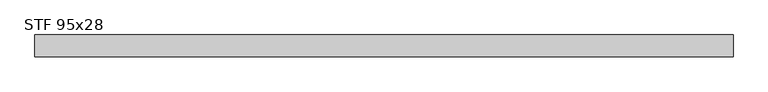
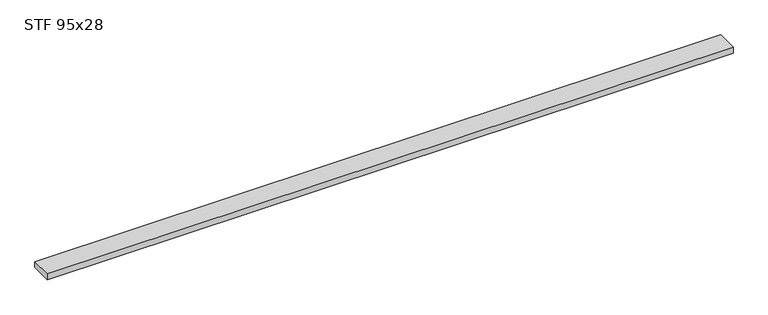
"""IFC4 building model written with IfcOpenShell, lengths in millimetres: beam geometry, STF 95x28."""

from ifc_helpers import new_model, si_unit, frame, origin, place, context, project, spatial, polyline, outline, extrude, source, transform, mapped, element, save


def stf_95x28_744a3ad8(model_context):
    return source(origin(), model_context, "Body", "SweptSolid", [
        extrude(outline(polyline([(-1526.0, -47.5), (-1526.0, 47.5), (1524.0, 47.5), (1524.0, -47.5), (-1526.0, -47.5)])), frame((0.0, 0.0, -14.0), z_axis=(0.0, 0.0, 1.0), x_axis=(1.0, 0.0, 0.0)), (0.0, 0.0, 1.0), 28.0),
    ])


if __name__ == "__main__":
    model = new_model("IFC4")
    model_context = context("Model", 3, world=origin())
    ifc_project = project(units=[si_unit("LENGTHUNIT", "METRE", prefix="MILLI")], contexts=[model_context])
    site = spatial("IfcSite", under=ifc_project)
    building = spatial("IfcBuilding", under=site)
    placement = place(None, origin())
    stf_95x28_shape = stf_95x28_744a3ad8(model_context)
    element("IfcBeam", 1, ObjectType="STF 95x28", at=placement, inside=building, context=model_context, shape_type="MappedRepresentation", body=[
        mapped(stf_95x28_shape, transform((0.0, 0.0, 0.0), x_axis=(1.0, 0.0, 0.0), y_axis=(0.0, 1.0, 0.0), z_axis=(0.0, 0.0, 1.0))),
    ])
    save(model, "model.ifc")
